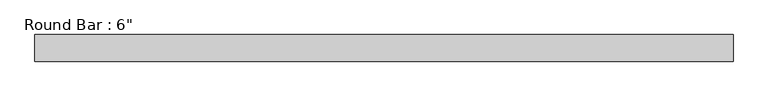
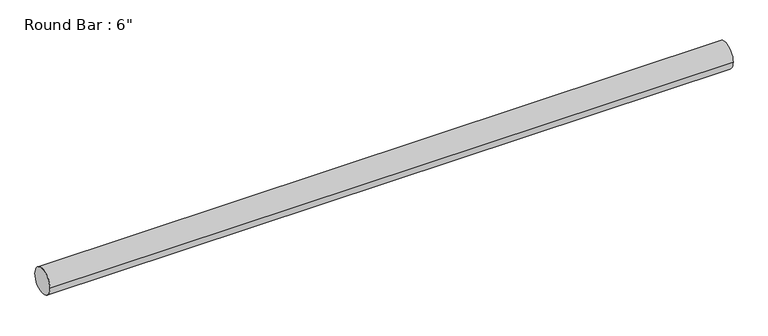
"""IFC4 building model written with IfcOpenShell, lengths in millimetres: beam geometry."""

from ifc_helpers import new_model, si_unit, point, frame, origin, origin_2d, place, context, project, spatial, circle_curve, trimmed, segment, composite_curve, outline, extrude, source, transform, mapped, element, save


def beam_e3726969(model_context):
    return source(origin(), model_context, "Body", "SweptSolid", [
        extrude(outline(composite_curve([segment(trimmed(circle_curve(origin_2d(), 76.2), [point((-76.2, 0.0))], [point((76.2, 0.0))], False, "CARTESIAN"), True, "CONTINUOUS"), segment(trimmed(circle_curve(origin_2d(), 76.2), [point((76.2, 0.0))], [point((-76.2, 0.0))], False, "CARTESIAN"), True, "CONTINUOUS")], self_intersect=False)), frame((-2007.6444905, 0.0, 0.0), z_axis=(1.0, 0.0, 0.0), x_axis=(0.0, 1.0, 0.0)), (0.0, 0.0, 1.0), 3994.5865405),
    ])


if __name__ == "__main__":
    model = new_model("IFC4")
    model_context = context("Model", 3, world=origin())
    ifc_project = project(units=[si_unit("LENGTHUNIT", "METRE", prefix="MILLI")], contexts=[model_context])
    site = spatial("IfcSite", under=ifc_project)
    building = spatial("IfcBuilding", under=site)
    placement = place(None, origin())
    beam_shape = beam_e3726969(model_context)
    element("IfcBeam", 1, ObjectType="Round Bar : 6\"", at=placement, inside=building, context=model_context, shape_type="MappedRepresentation", body=[
        mapped(beam_shape, transform((0.0, 0.0, 0.0), x_axis=(1.0, 0.0, 0.0), y_axis=(0.0, 1.0, 0.0), z_axis=(0.0, 0.0, 1.0))),
    ])
    save(model, "model.ifc")
